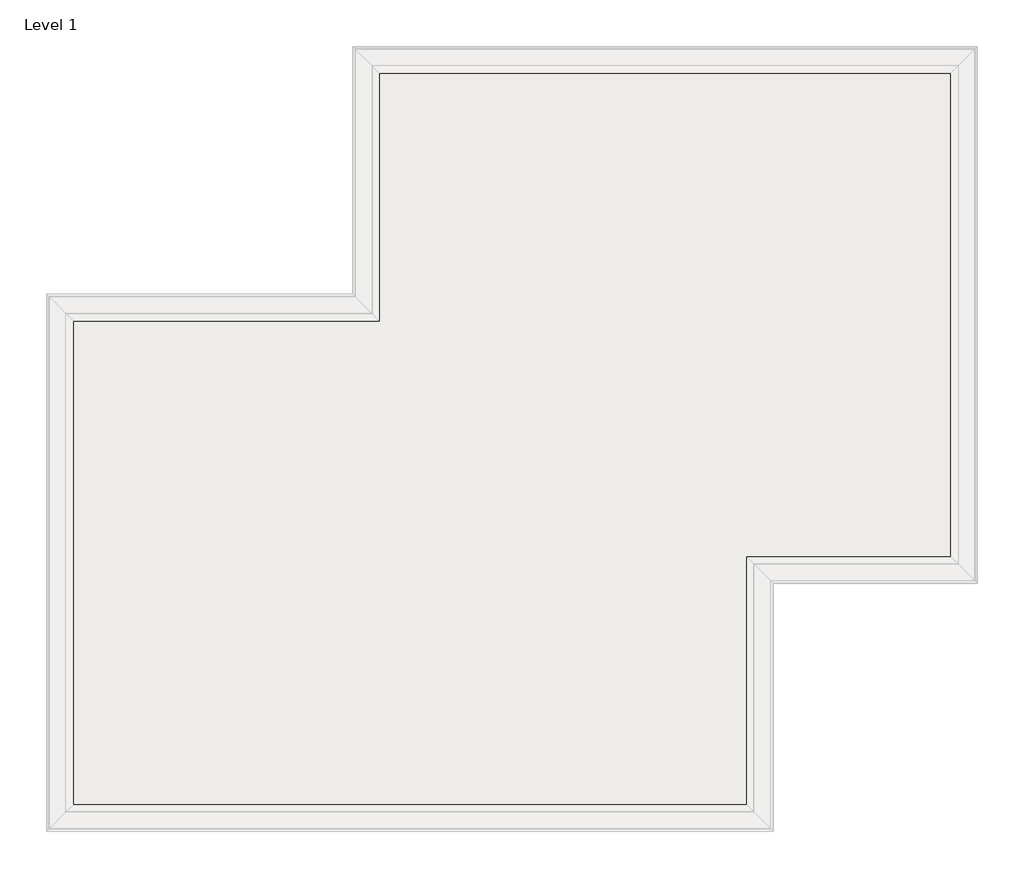
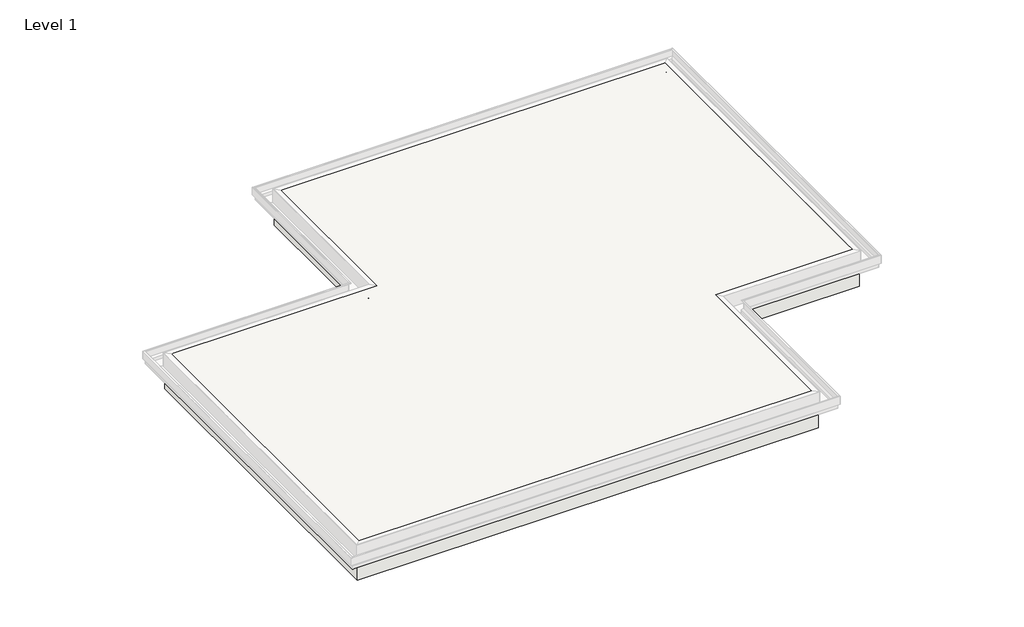
# One storey, part 2 of 16: 1 roof.
"""IFC4 building model written with IfcOpenShell, lengths in millimetres."""

from ifc_helpers import new_model, si_unit, origin, origin_with_axes, place, context, project, spatial, polyline, outline, extrude, element, save

model = new_model("IFC4")

# Units and contexts
model_context = context("Model", 3, world=origin())
ifc_project = project(units=[si_unit("LENGTHUNIT", "METRE", prefix="MILLI")], contexts=[model_context])

# Site, building, storey
site = spatial("IfcSite", under=ifc_project)
building = spatial("IfcBuilding", under=site)
storey = spatial("IfcBuildingStorey", under=building, Name="Level 1", Elevation=0.0)

# Roof
placement = place(None, origin())
element("IfcRoof", 1, at=placement, inside=storey, context=model_context, shape_type="SweptSolid", body=[
    extrude(outline(polyline([(-41334.1474759, 7918.9689141), (-41334.1474759, 2737.3689141), (-43467.7474759, 2737.3689141), (-43467.7474759, 146.5689141), (-50630.5474759, 146.5689141), (-50630.5474759, 5328.1689141), (-47430.1474759, 5328.1689141), (-47430.1474759, 7918.9689141), (-41334.1474759, 7918.9689141)])), origin_with_axes(), (0.0, 0.0, 1.0), 584.2),
])

save(model, "model.ifc")
